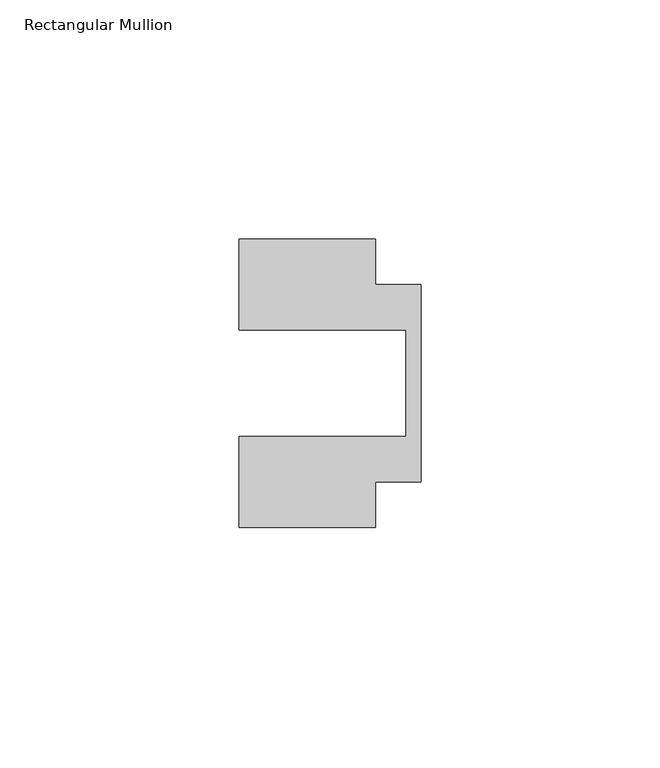
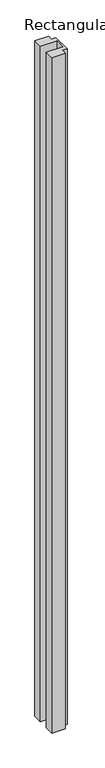
"""IFC4 building model written with IfcOpenShell, lengths in millimetres: member geometry, Rectangular Mullion."""

from ifc_helpers import new_model, si_unit, frame, origin, place, context, project, spatial, polyline, outline, extrude, source, transform, mapped, element, save


def rectangular_mullion_db574cff(model_context):
    return source(origin(), model_context, "Body", "SweptSolid", [
        extrude(outline(polyline([(-38.1, 11.1125), (-38.1, 30.1625), (-9.525, 30.1625), (-9.525, 20.6375), (0.0, 20.6375), (0.0, -20.6375), (-9.525, -20.6375), (-9.525, -30.1625), (-38.1, -30.1625), (-38.1, -11.1125), (-3.175, -11.1125), (-3.175, 11.1125), (-38.1, 11.1125)])), frame((0.0, 0.0, -1482.725), z_axis=(0.0, 0.0, 1.0), x_axis=(1.0, 0.0, 0.0)), (0.0, 0.0, 1.0), 1482.725),
    ])


if __name__ == "__main__":
    model = new_model("IFC4")
    model_context = context("Model", 3, world=origin())
    ifc_project = project(units=[si_unit("LENGTHUNIT", "METRE", prefix="MILLI")], contexts=[model_context])
    site = spatial("IfcSite", under=ifc_project)
    building = spatial("IfcBuilding", under=site)
    placement = place(None, origin())
    rectangular_mullion_shape = rectangular_mullion_db574cff(model_context)
    element("IfcMember", 1, ObjectType="Rectangular Mullion", at=placement, inside=building, context=model_context, shape_type="MappedRepresentation", body=[
        mapped(rectangular_mullion_shape, transform((0.0, 0.0, 0.0), x_axis=(1.0, 0.0, 0.0), y_axis=(0.0, 1.0, 0.0), z_axis=(0.0, 0.0, 1.0))),
    ])
    save(model, "model.ifc")
